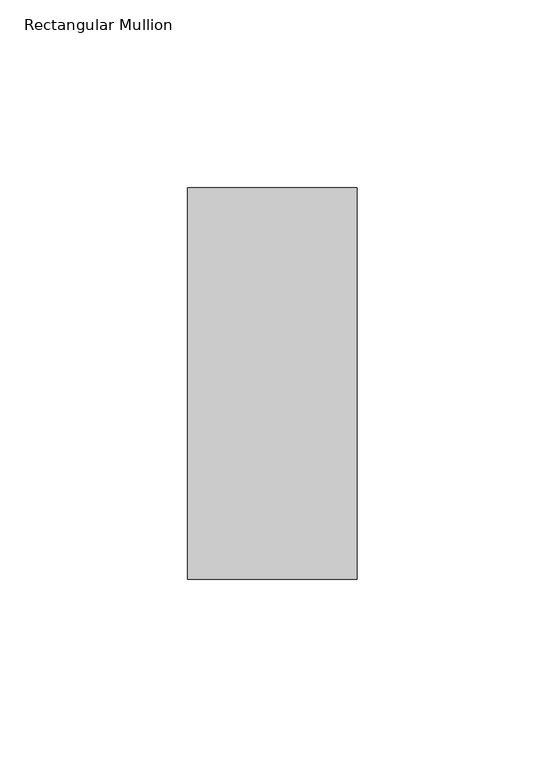
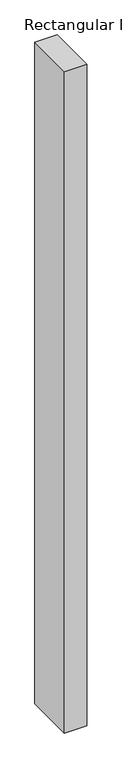
"""IFC4 building model written with IfcOpenShell, lengths in millimetres: member geometry, Rectangular Mullion."""

import ifcopenshell
import ifcopenshell.guid

model = None  # the IFC model being written
_history = None  # IfcOwnerHistory: only IFC2X3 demands one
_inside = {}  # id of a spatial element -> (the spatial element, [elements in it])
_under = {}  # id of a project, library or spatial element -> (it, [spatial elements below it])
_declared = {}  # id of a project -> (the project, [libraries it declares])
_typed = {}  # id of a type object -> (the type object, [elements of that type])
_made_of = {}  # id of a material, layer set ... -> (it, [elements and type objects made of it])


def new_model(schema):
    """Start an empty IFC model of exactly this schema.

    Asked for "IFC4X3", IfcOpenShell would pick the latest addendum, in which some entities
    have other attributes; the version numbers below select the first issue.
    IFC2X3 requires an IfcOwnerHistory on every rooted entity: one is made here for all.
    """
    global model, _history
    if schema == "IFC4X3":
        model = ifcopenshell.file(schema_version=(4, 3, 0, 0))
    else:
        model = ifcopenshell.file(schema=schema)
    _inside.clear()
    _under.clear()
    _declared.clear()
    _typed.clear()
    _made_of.clear()
    _history = None
    if model.schema == "IFC2X3":
        org = make("IfcOrganization", Name="unknown")
        user = make(
            "IfcPersonAndOrganization",
            ThePerson=make("IfcPerson", FamilyName="unknown"),
            TheOrganization=org,
        )
        app = make(
            "IfcApplication",
            ApplicationDeveloper=org,
            Version="unknown",
            ApplicationFullName="unknown",
            ApplicationIdentifier="unknown",
        )
        _history = make(
            "IfcOwnerHistory",
            OwningUser=user,
            OwningApplication=app,
            ChangeAction="ADDED",
            CreationDate=0,
        )
    return model


def make(cls, **values):
    """One entity of the class cls with the attributes given. An attribute that is None is left unset."""
    return model.create_entity(
        cls, **{name: value for name, value in values.items() if value is not None}
    )


def rooted(cls, **values):
    """An entity with a GlobalId (a new one), such as an element, a storey or a relation."""
    return make(cls, GlobalId=ifcopenshell.guid.new(), OwnerHistory=_history, **values)


def si_unit(unit_type, name, prefix=None):
    """IfcSIUnit, for example si_unit("LENGTHUNIT", "METRE", prefix="MILLI")."""
    return make("IfcSIUnit", UnitType=unit_type, Prefix=prefix, Name=name)


def assignment(units):
    """IfcUnitAssignment: the units of a project."""
    return None if units is None else make("IfcUnitAssignment", Units=units)


def point(xyz):
    """IfcCartesianPoint."""
    return None if xyz is None else make("IfcCartesianPoint", Coordinates=xyz)


def direction(xyz):
    """IfcDirection."""
    return None if xyz is None else make("IfcDirection", DirectionRatios=xyz)


def frame(location, z_axis=None, x_axis=None):
    """IfcAxis2Placement3D, a coordinate frame: its origin and axes. An axis left out is left unset."""
    return make(
        "IfcAxis2Placement3D",
        Location=point(location),
        Axis=direction(z_axis),
        RefDirection=direction(x_axis),
    )


def origin():
    """The frame at (0, 0, 0) with its axes left unset."""
    return frame((0.0, 0.0, 0.0))


def place(relative_to, where):
    """IfcLocalPlacement: puts the frame where relative to a parent placement (None: the world)."""
    return make(
        "IfcLocalPlacement", PlacementRelTo=relative_to, RelativePlacement=where
    )


def context(
    kind, dimensions, precision=None, world=None, true_north=None, identifier=None
):
    """IfcGeometricRepresentationContext, for example the 3D "Model" context."""
    return make(
        "IfcGeometricRepresentationContext",
        ContextIdentifier=identifier,
        ContextType=kind,
        CoordinateSpaceDimension=dimensions,
        Precision=precision,
        WorldCoordinateSystem=world,
        TrueNorth=true_north,
    )


def project(units=None, contexts=None):
    """IfcProject with its units and contexts."""
    return rooted(
        "IfcProject",
        Name="project",
        RepresentationContexts=contexts,
        UnitsInContext=assignment(units),
    )


def spatial(cls, under=None, at=None, **own):
    """A site, building, storey or space (cls), placed at a placement, below another one or the project."""
    s = rooted(cls, ObjectPlacement=at, **own)
    if under is not None:
        _under.setdefault(under.id(), (under, []))[1].append(s)
    return s


def polyline(points):
    """IfcPolyline through the points."""
    return make("IfcPolyline", Points=[point(p) for p in points])


def outline(outer, holes=None, kind="AREA"):
    """IfcArbitraryClosedProfileDef: a profile drawn as a closed curve; with holes, ...WithVoids."""
    if holes is None:
        return make("IfcArbitraryClosedProfileDef", ProfileType=kind, OuterCurve=outer)
    return make(
        "IfcArbitraryProfileDefWithVoids",
        ProfileType=kind,
        OuterCurve=outer,
        InnerCurves=holes,
    )


def extrude(swept, where, along, depth):
    """IfcExtrudedAreaSolid: the profile swept, set in the frame where, extruded along a direction by depth."""
    return make(
        "IfcExtrudedAreaSolid",
        SweptArea=swept,
        Position=where,
        ExtrudedDirection=direction(along),
        Depth=depth,
    )


def shape(context_of_items, identifier, shape_type, items):
    """IfcShapeRepresentation: the items that make up one representation, for example the "Body"."""
    return make(
        "IfcShapeRepresentation",
        ContextOfItems=context_of_items,
        RepresentationIdentifier=identifier,
        RepresentationType=shape_type,
        Items=items,
    )


def source(mapping_origin, context_of_items, identifier, shape_type, items):
    """IfcRepresentationMap: a shape defined once, which mapped items show again and again."""
    return make(
        "IfcRepresentationMap",
        MappingOrigin=mapping_origin,
        MappedRepresentation=shape(context_of_items, identifier, shape_type, items),
    )


def transform(
    local_origin,
    x_axis=None,
    y_axis=None,
    z_axis=None,
    scale=None,
    scale2=None,
    scale3=None,
    uniform=True,
):
    """IfcCartesianTransformationOperator3D, or its non-uniform kind. x_axis, y_axis, z_axis: its Axis1, 2, 3."""
    if uniform:
        return make(
            "IfcCartesianTransformationOperator3D",
            Axis1=direction(x_axis),
            Axis2=direction(y_axis),
            LocalOrigin=point(local_origin),
            Scale=scale,
            Axis3=direction(z_axis),
        )
    return make(
        "IfcCartesianTransformationOperator3DnonUniform",
        Axis1=direction(x_axis),
        Axis2=direction(y_axis),
        LocalOrigin=point(local_origin),
        Scale=scale,
        Axis3=direction(z_axis),
        Scale2=scale2,
        Scale3=scale3,
    )


def mapped(mapping_source, mapping_target):
    """IfcMappedItem: shows the shape of a source again, moved by a transform."""
    return make(
        "IfcMappedItem", MappingSource=mapping_source, MappingTarget=mapping_target
    )


def made_of(thing, what):
    """Note that an element or type object is made of a material, layer set ...; save() writes the relation."""
    if what is not None:
        _made_of.setdefault(what.id(), (what, []))[1].append(thing)
    return thing


def element(
    cls,
    number,
    at=None,
    inside=None,
    cuts=None,
    type_object=None,
    material=None,
    context=None,
    identifier="Body",
    shape_type=None,
    held_by="IfcProductDefinitionShape",
    body=None,
    shapes=None,
    **own,
):
    """One element of the class cls, such as IfcWall. Its Tag is "e" and its number.

    at: its placement. inside: the storey or other place that contains it. cuts: it is an
    opening in that element (IfcRelVoidsElement). A single representation is given by context,
    identifier, shape_type and body (its items); several are given by shapes. held_by: the class
    of the entity that holds the representations. save() writes the other relations.
    """
    e = rooted(cls, Tag="e%d" % number, ObjectPlacement=at, **own)
    if body is not None:
        shapes = [shape(context, identifier, shape_type, body)]
    if shapes is not None:
        e.Representation = make(held_by, Representations=shapes)
    if inside is not None:
        _inside.setdefault(inside.id(), (inside, []))[1].append(e)
    if cuts is not None:
        rooted(
            "IfcRelVoidsElement", RelatingBuildingElement=cuts, RelatedOpeningElement=e
        )
    if type_object is not None:
        _typed.setdefault(type_object.id(), (type_object, []))[1].append(e)
    return made_of(e, material)


def aggregate(whole, parts):
    """IfcRelAggregates: a whole, such as a stair, and the parts it consists of."""
    return rooted("IfcRelAggregates", RelatingObject=whole, RelatedObjects=parts)


def save(model, path):
    """Write the relations noted so far, then the file.

    IfcRelAggregates (storeys below a building ...), IfcRelContainedInSpatialStructure (elements
    in a storey), IfcRelDefinesByType, IfcRelAssociatesMaterial and IfcRelDeclares: one each for
    every whole, place, type object, material and project.
    """
    for whole, parts in _under.values():
        aggregate(whole, parts)
    for where, things in _inside.values():
        rooted(
            "IfcRelContainedInSpatialStructure",
            RelatedElements=things,
            RelatingStructure=where,
        )
    for kind, things in _typed.values():
        rooted("IfcRelDefinesByType", RelatedObjects=things, RelatingType=kind)
    for what, things in _made_of.values():
        rooted("IfcRelAssociatesMaterial", RelatedObjects=things, RelatingMaterial=what)
    for by, libraries in _declared.values():
        rooted("IfcRelDeclares", RelatingContext=by, RelatedDefinitions=libraries)
    model.write(path)


def rectangular_mullion_612a9f1e(model_context):
    return source(origin(), model_context, "Body", "SweptSolid", [
        extrude(outline(polyline([(0.0, 67.525), (0.0, -36.525), (-45.0, -36.525), (-45.0, 67.525), (0.0, 67.525)])), frame((0.0, 0.0, -1420.0164899), z_axis=(0.0, 0.0, 1.0), x_axis=(1.0, 0.0, 0.0)), (0.0, 0.0, 1.0), 1420.0164899),
    ])


if __name__ == "__main__":
    model = new_model("IFC4")
    model_context = context("Model", 3, world=origin())
    ifc_project = project(units=[si_unit("LENGTHUNIT", "METRE", prefix="MILLI")], contexts=[model_context])
    site = spatial("IfcSite", under=ifc_project)
    building = spatial("IfcBuilding", under=site)
    placement = place(None, origin())
    rectangular_mullion_shape = rectangular_mullion_612a9f1e(model_context)
    element("IfcMember", 1, ObjectType="Rectangular Mullion", at=placement, inside=building, context=model_context, shape_type="MappedRepresentation", body=[
        mapped(rectangular_mullion_shape, transform((0.0, 0.0, 0.0), x_axis=(1.0, 0.0, 0.0), y_axis=(0.0, 1.0, 0.0), z_axis=(0.0, 0.0, 1.0))),
    ])
    save(model, "model.ifc")
